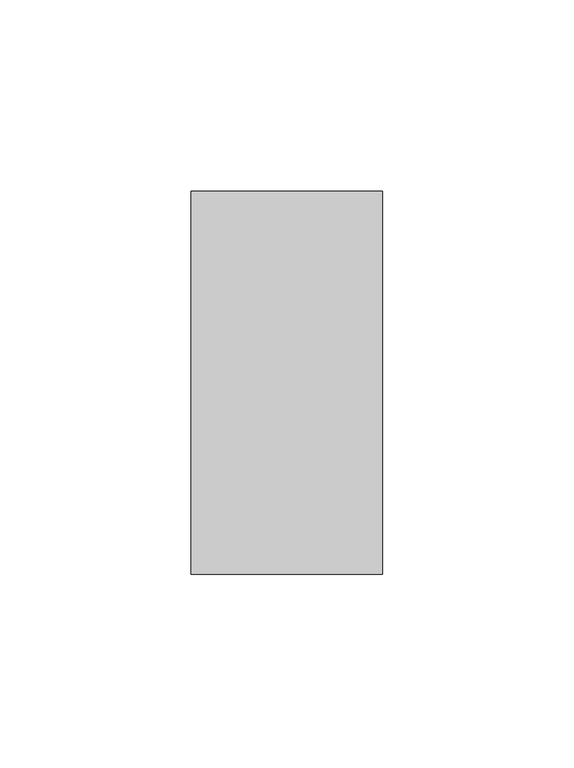
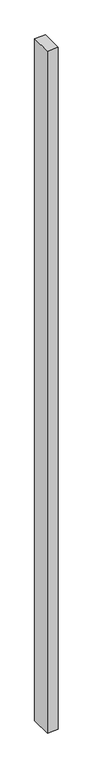
"""IFC4 building model written with IfcOpenShell, lengths in millimetres: member geometry."""

from ifc_helpers import new_model, si_unit, frame, origin, place, context, project, spatial, polyline, outline, extrude, source, transform, mapped, element, save


def member_65c8ebe7(model_context):
    return source(origin(), model_context, "Body", "SweptSolid", [
        extrude(outline(polyline([(0.0, 50.0), (0.0, -50.0), (-50.0, -50.0), (-50.0, 50.0), (0.0, 50.0)])), frame((0.0, 0.0, -3300.0), z_axis=(0.0, 0.0, 1.0), x_axis=(1.0, 0.0, 0.0)), (0.0, 0.0, 1.0), 3300.0),
    ])


if __name__ == "__main__":
    model = new_model("IFC4")
    model_context = context("Model", 3, world=origin())
    ifc_project = project(units=[si_unit("LENGTHUNIT", "METRE", prefix="MILLI")], contexts=[model_context])
    site = spatial("IfcSite", under=ifc_project)
    building = spatial("IfcBuilding", under=site)
    placement = place(None, origin())
    member_shape = member_65c8ebe7(model_context)
    element("IfcMember", 1, at=placement, inside=building, context=model_context, shape_type="MappedRepresentation", body=[
        mapped(member_shape, transform((0.0, 0.0, 0.0), x_axis=(1.0, 0.0, 0.0), y_axis=(0.0, 1.0, 0.0), z_axis=(0.0, 0.0, 1.0))),
    ])
    save(model, "model.ifc")
